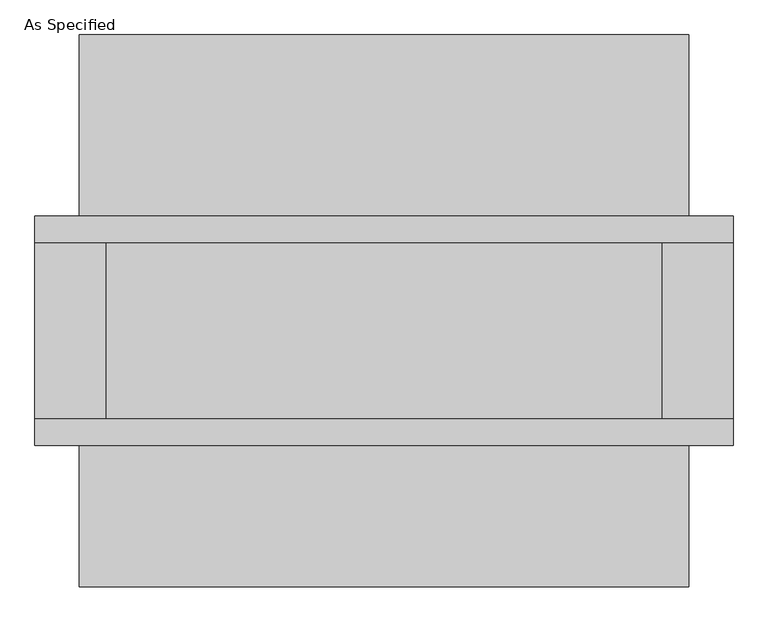
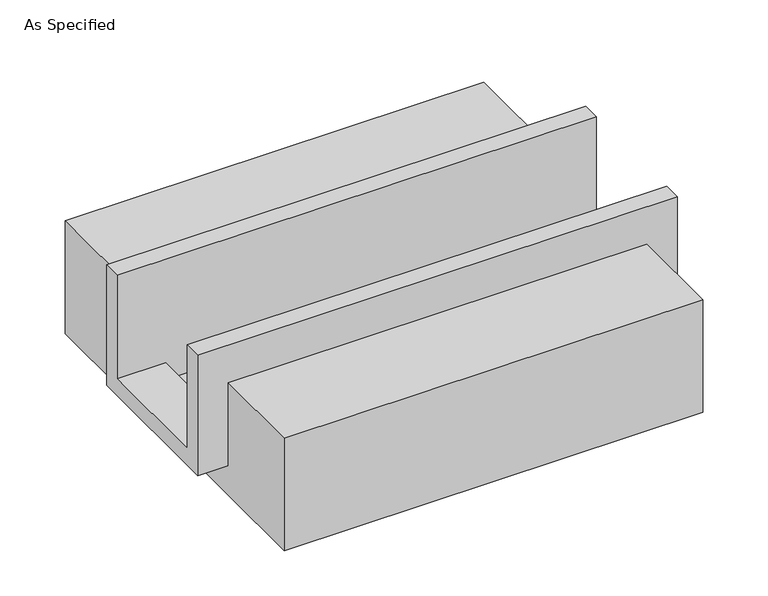
"""IFC4 building model written with IfcOpenShell, lengths in millimetres: proxy geometry, As Specified."""

from ifc_helpers import new_model, si_unit, frame, origin, place, context, project, spatial, polyline, outline, extrude, faceted_brep, source, transform, mapped, element, save


def as_specified_671b756a(model_context):
    return source(origin(), model_context, "Body", "SolidModel", [
        faceted_brep([(-1003.3, 196.85, 139.7), (-1003.3, 273.05, 139.7), (-1003.3, 273.05, -393.7), (-1003.3, -387.35, -393.7), (-1003.3, -387.35, 139.7), (-1003.3, -311.15, 139.7), (-1003.3, -311.15, -317.5), (-1003.3, 196.85, -317.5), (1003.3, 196.85, 139.7), (1003.3, 196.85, -317.5), (1003.3, -311.15, -317.5), (1003.3, -311.15, 139.7), (1003.3, -387.35, 139.7), (1003.3, -387.35, -393.7), (1003.3, 273.05, -393.7), (1003.3, 273.05, 139.7), (800.1, -311.15, -393.7), (800.1, 196.85, -393.7), (-800.1, 196.85, -393.7), (-800.1, -311.15, -393.7), (800.1, -311.15, -317.5), (-800.1, -311.15, -317.5), (-800.1, 196.85, -317.5), (800.1, 196.85, -317.5)], [[[0, 1, 2, 3, 4, 5, 6, 7]], [[8, 9, 10, 11, 12, 13, 14, 15]], [[1, 0, 8, 15]], [[2, 1, 15, 14]], [[3, 2, 14, 13], [16, 17, 18, 19]], [[4, 3, 13, 12]], [[5, 4, 12, 11]], [[6, 5, 11, 10, 20, 16, 19, 21]], [[7, 6, 21, 22]], [[10, 9, 23, 20]], [[0, 7, 22, 18, 17, 23, 9, 8]], [[16, 20, 23, 17]], [[21, 19, 18, 22]]]),
        extrude(outline(polyline([(793.75, -25.4), (793.75, -523.9742188), (-793.75, -523.9742188), (-793.75, -25.4), (-387.35, -25.4), (-387.35, -393.7), (273.05, -393.7), (273.05, -25.4), (793.75, -25.4)])), frame((-876.3, 0.0, 0.0), z_axis=(1.0, 0.0, 0.0), x_axis=(0.0, 1.0, 0.0)), (0.0, 0.0, 1.0), 1752.6),
    ])


if __name__ == "__main__":
    model = new_model("IFC4")
    model_context = context("Model", 3, world=origin())
    ifc_project = project(units=[si_unit("LENGTHUNIT", "METRE", prefix="MILLI")], contexts=[model_context])
    site = spatial("IfcSite", under=ifc_project)
    building = spatial("IfcBuilding", under=site)
    placement = place(None, origin())
    as_specified_shape = as_specified_671b756a(model_context)
    element("IfcBuildingElementProxy", 1, Name="As Specified", ObjectType="As Specified", at=placement, inside=building, context=model_context, shape_type="MappedRepresentation", body=[
        mapped(as_specified_shape, transform((0.0, 0.0, 0.0), x_axis=(1.0, 0.0, 0.0), y_axis=(0.0, 1.0, 0.0), z_axis=(0.0, 0.0, 1.0))),
    ])
    save(model, "model.ifc")
